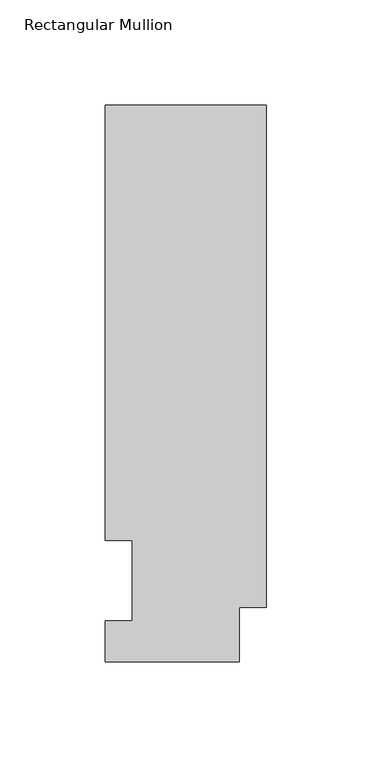
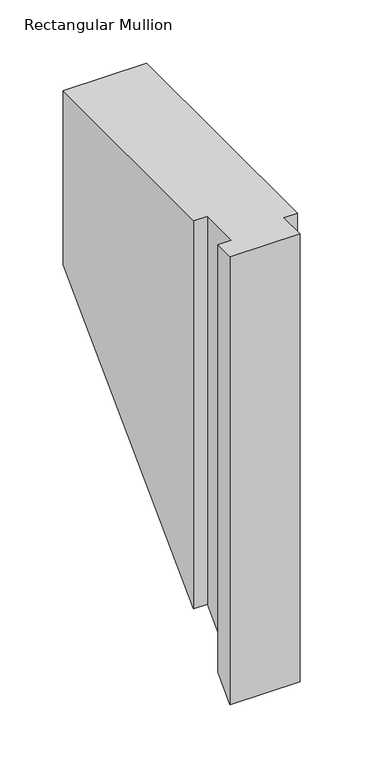
"""IFC4 building model written with IfcOpenShell, lengths in millimetres: member geometry, Rectangular Mullion."""

from ifc_helpers import new_model, si_unit, origin, place, context, project, spatial, faceted_brep, source, transform, mapped, element, save


def rectangular_mullion_88f0e0bb(model_context):
    return source(origin(), model_context, "Body", "Brep", [
        faceted_brep([(0.0, 25.8960937, 0.0), (0.0, 264.0210938, 0.0), (-76.2, 264.0210938, 0.0), (-76.2, 57.6460938, 0.0), (-63.5127, 57.6460938, 0.0), (-63.5127, 19.5460938, 0.0), (-76.2, 19.5460938, 0.0), (-76.2, 0.0134938, 0.0), (-12.7, 0.0134938, 0.0), (-12.7, 25.8960937, 0.0), (0.0, 25.8960937, -405.9039063), (0.0, 264.0210938, -167.7789063), (-76.2, 264.0210938, -167.7789063), (-76.2, 57.6460938, -374.1539063), (-63.5127, 57.6460938, -374.1539063), (-63.5127, 19.5460938, -412.2539063), (-76.2, 19.5460938, -412.2539063), (-76.2, 0.0134938, -431.7865063), (-12.7, 0.0134938, -431.7865063), (-12.7, 25.8960937, -405.9039063)], [[[0, 1, 2, 3, 4, 5, 6, 7, 8, 9]], [[1, 0, 10, 11]], [[2, 1, 11, 12]], [[3, 2, 12, 13]], [[4, 3, 13, 14]], [[5, 4, 14, 15]], [[6, 5, 15, 16]], [[7, 6, 16, 17]], [[8, 7, 17, 18]], [[9, 8, 18, 19]], [[0, 9, 19, 10]], [[10, 19, 18, 17, 16, 15, 14, 13, 12, 11]]]),
    ])


if __name__ == "__main__":
    model = new_model("IFC4")
    model_context = context("Model", 3, world=origin())
    ifc_project = project(units=[si_unit("LENGTHUNIT", "METRE", prefix="MILLI")], contexts=[model_context])
    site = spatial("IfcSite", under=ifc_project)
    building = spatial("IfcBuilding", under=site)
    placement = place(None, origin())
    rectangular_mullion_shape = rectangular_mullion_88f0e0bb(model_context)
    element("IfcMember", 1, ObjectType="Rectangular Mullion", at=placement, inside=building, context=model_context, shape_type="MappedRepresentation", body=[
        mapped(rectangular_mullion_shape, transform((0.0, 0.0, 0.0), x_axis=(1.0, 0.0, 0.0), y_axis=(0.0, 1.0, 0.0), z_axis=(0.0, 0.0, 1.0))),
    ])
    save(model, "model.ifc")
